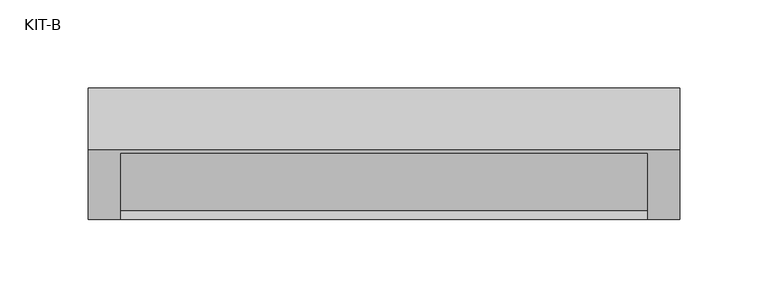
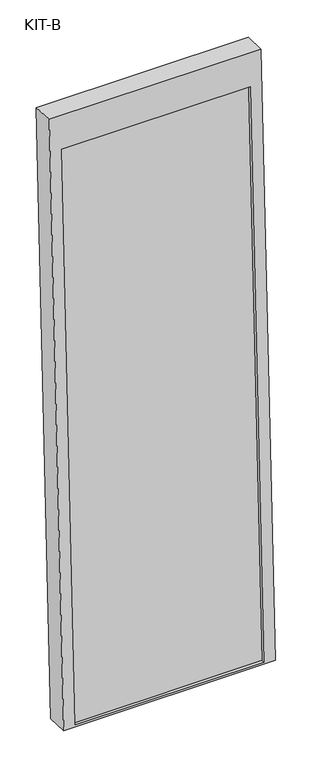
"""IFC4 building model written with IfcOpenShell, lengths in millimetres: plate geometry, KIT-B."""

from ifc_helpers import new_model, si_unit, frame, origin, place, context, project, spatial, polyline, outline, extrude, source, transform, mapped, element, save


def kit_b_41214333(model_context):
    return source(origin(), model_context, "Body", "SweptSolid", [
        extrude(outline(polyline([(0.0, -299.0), (0.0, 0.0), (27.4505713, 0.0), (27.4505713, -299.0), (0.0, -299.0)])), frame((-149.5, -70.9268988, -99.7757487), z_axis=(0.0, 0.03973683410233643, 0.9992101801000245), x_axis=(0.0, 0.9992101801000245, -0.03973683410233643)), (0.0, 0.0, 1.0), 941.5315929),
        extrude(outline(polyline([(0.0, 0.0), (0.0, -336.0), (-1000.0, -336.0), (-1000.0, 0.0), (0.0, 0.0)]), holes=[polyline([(-55.0, -18.5), (-996.5315929, -18.5), (-996.5315929, -317.5), (-55.0, -317.5), (-55.0, -18.5)])]), frame((-168.0, -1.3515828, 894.7766587), z_axis=(0.0, -0.9992101801000246, 0.039736834102334216), x_axis=(0.0, 0.039736834102334216, 0.9992101801000246)), (0.0, 0.0, 1.0), 35.0),
    ])


if __name__ == "__main__":
    model = new_model("IFC4")
    model_context = context("Model", 3, world=origin())
    ifc_project = project(units=[si_unit("LENGTHUNIT", "METRE", prefix="MILLI")], contexts=[model_context])
    site = spatial("IfcSite", under=ifc_project)
    building = spatial("IfcBuilding", under=site)
    placement = place(None, origin())
    kit_b_shape = kit_b_41214333(model_context)
    element("IfcPlate", 1, ObjectType="KIT-B", at=placement, inside=building, context=model_context, shape_type="MappedRepresentation", body=[
        mapped(kit_b_shape, transform((0.0, 0.0, 0.0), x_axis=(1.0, 0.0, 0.0), y_axis=(0.0, 1.0, 0.0), z_axis=(0.0, 0.0, 1.0))),
    ])
    save(model, "model.ifc")
